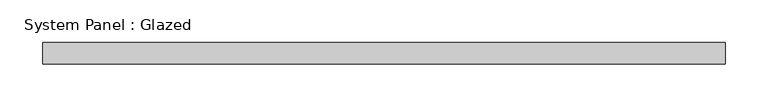
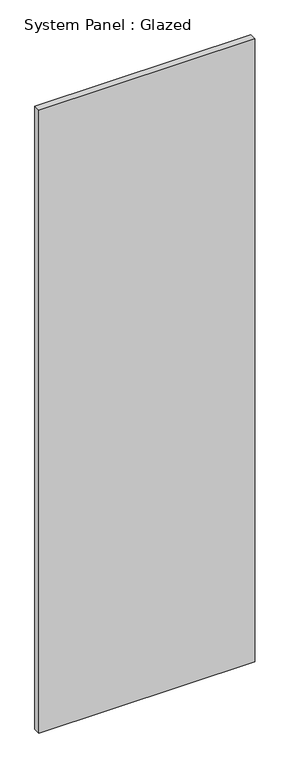
"""IFC4 building model written with IfcOpenShell, lengths in millimetres: plate geometry, System Panel : Glazed."""

from ifc_helpers import new_model, si_unit, origin, origin_with_axes, place, context, project, spatial, polyline, outline, extrude, source, transform, mapped, element, save


def system_panel_glazed_5628da7f(model_context):
    return source(origin(), model_context, "Body", "SweptSolid", [
        extrude(outline(polyline([(400.0, 19.05), (-400.0, 19.05), (-400.0, 44.45), (400.0, 44.45), (400.0, 19.05)])), origin_with_axes(), (0.0, 0.0, 1.0), 2438.4),
    ])


if __name__ == "__main__":
    model = new_model("IFC4")
    model_context = context("Model", 3, world=origin())
    ifc_project = project(units=[si_unit("LENGTHUNIT", "METRE", prefix="MILLI")], contexts=[model_context])
    site = spatial("IfcSite", under=ifc_project)
    building = spatial("IfcBuilding", under=site)
    placement = place(None, origin())
    system_panel_glazed_shape = system_panel_glazed_5628da7f(model_context)
    element("IfcPlate", 1, ObjectType="System Panel : Glazed", at=placement, inside=building, context=model_context, shape_type="MappedRepresentation", body=[
        mapped(system_panel_glazed_shape, transform((0.0, 0.0, 0.0), x_axis=(1.0, 0.0, 0.0), y_axis=(0.0, 1.0, 0.0), z_axis=(0.0, 0.0, 1.0))),
    ])
    save(model, "model.ifc")
